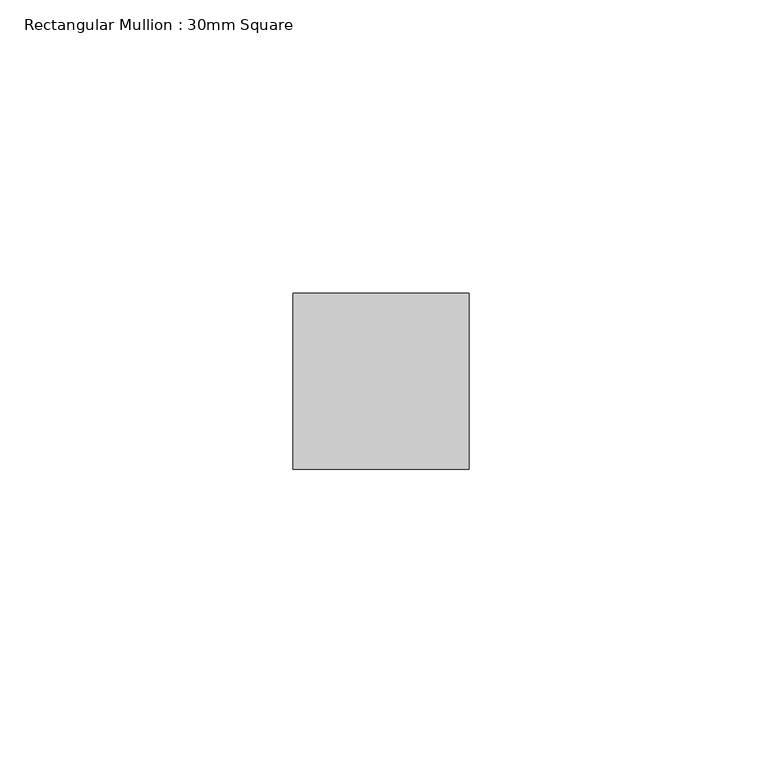
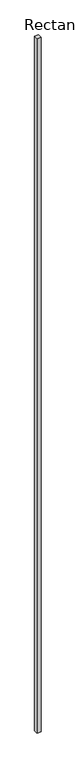
"""IFC4 building model written with IfcOpenShell, lengths in millimetres: member geometry, Rectangular Mullion : 30mm Square."""

import ifcopenshell
import ifcopenshell.guid

model = None  # the IFC model being written
_history = None  # IfcOwnerHistory: only IFC2X3 demands one
_inside = {}  # id of a spatial element -> (the spatial element, [elements in it])
_under = {}  # id of a project, library or spatial element -> (it, [spatial elements below it])
_declared = {}  # id of a project -> (the project, [libraries it declares])
_typed = {}  # id of a type object -> (the type object, [elements of that type])
_made_of = {}  # id of a material, layer set ... -> (it, [elements and type objects made of it])


def new_model(schema):
    """Start an empty IFC model of exactly this schema.

    Asked for "IFC4X3", IfcOpenShell would pick the latest addendum, in which some entities
    have other attributes; the version numbers below select the first issue.
    IFC2X3 requires an IfcOwnerHistory on every rooted entity: one is made here for all.
    """
    global model, _history
    if schema == "IFC4X3":
        model = ifcopenshell.file(schema_version=(4, 3, 0, 0))
    else:
        model = ifcopenshell.file(schema=schema)
    _inside.clear()
    _under.clear()
    _declared.clear()
    _typed.clear()
    _made_of.clear()
    _history = None
    if model.schema == "IFC2X3":
        org = make("IfcOrganization", Name="unknown")
        user = make(
            "IfcPersonAndOrganization",
            ThePerson=make("IfcPerson", FamilyName="unknown"),
            TheOrganization=org,
        )
        app = make(
            "IfcApplication",
            ApplicationDeveloper=org,
            Version="unknown",
            ApplicationFullName="unknown",
            ApplicationIdentifier="unknown",
        )
        _history = make(
            "IfcOwnerHistory",
            OwningUser=user,
            OwningApplication=app,
            ChangeAction="ADDED",
            CreationDate=0,
        )
    return model


def make(cls, **values):
    """One entity of the class cls with the attributes given. An attribute that is None is left unset."""
    return model.create_entity(
        cls, **{name: value for name, value in values.items() if value is not None}
    )


def rooted(cls, **values):
    """An entity with a GlobalId (a new one), such as an element, a storey or a relation."""
    return make(cls, GlobalId=ifcopenshell.guid.new(), OwnerHistory=_history, **values)


def si_unit(unit_type, name, prefix=None):
    """IfcSIUnit, for example si_unit("LENGTHUNIT", "METRE", prefix="MILLI")."""
    return make("IfcSIUnit", UnitType=unit_type, Prefix=prefix, Name=name)


def assignment(units):
    """IfcUnitAssignment: the units of a project."""
    return None if units is None else make("IfcUnitAssignment", Units=units)


def point(xyz):
    """IfcCartesianPoint."""
    return None if xyz is None else make("IfcCartesianPoint", Coordinates=xyz)


def direction(xyz):
    """IfcDirection."""
    return None if xyz is None else make("IfcDirection", DirectionRatios=xyz)


def frame(location, z_axis=None, x_axis=None):
    """IfcAxis2Placement3D, a coordinate frame: its origin and axes. An axis left out is left unset."""
    return make(
        "IfcAxis2Placement3D",
        Location=point(location),
        Axis=direction(z_axis),
        RefDirection=direction(x_axis),
    )


def origin():
    """The frame at (0, 0, 0) with its axes left unset."""
    return frame((0.0, 0.0, 0.0))


def place(relative_to, where):
    """IfcLocalPlacement: puts the frame where relative to a parent placement (None: the world)."""
    return make(
        "IfcLocalPlacement", PlacementRelTo=relative_to, RelativePlacement=where
    )


def context(
    kind, dimensions, precision=None, world=None, true_north=None, identifier=None
):
    """IfcGeometricRepresentationContext, for example the 3D "Model" context."""
    return make(
        "IfcGeometricRepresentationContext",
        ContextIdentifier=identifier,
        ContextType=kind,
        CoordinateSpaceDimension=dimensions,
        Precision=precision,
        WorldCoordinateSystem=world,
        TrueNorth=true_north,
    )


def project(units=None, contexts=None):
    """IfcProject with its units and contexts."""
    return rooted(
        "IfcProject",
        Name="project",
        RepresentationContexts=contexts,
        UnitsInContext=assignment(units),
    )


def spatial(cls, under=None, at=None, **own):
    """A site, building, storey or space (cls), placed at a placement, below another one or the project."""
    s = rooted(cls, ObjectPlacement=at, **own)
    if under is not None:
        _under.setdefault(under.id(), (under, []))[1].append(s)
    return s


def polyline(points):
    """IfcPolyline through the points."""
    return make("IfcPolyline", Points=[point(p) for p in points])


def outline(outer, holes=None, kind="AREA"):
    """IfcArbitraryClosedProfileDef: a profile drawn as a closed curve; with holes, ...WithVoids."""
    if holes is None:
        return make("IfcArbitraryClosedProfileDef", ProfileType=kind, OuterCurve=outer)
    return make(
        "IfcArbitraryProfileDefWithVoids",
        ProfileType=kind,
        OuterCurve=outer,
        InnerCurves=holes,
    )


def extrude(swept, where, along, depth):
    """IfcExtrudedAreaSolid: the profile swept, set in the frame where, extruded along a direction by depth."""
    return make(
        "IfcExtrudedAreaSolid",
        SweptArea=swept,
        Position=where,
        ExtrudedDirection=direction(along),
        Depth=depth,
    )


def shape(context_of_items, identifier, shape_type, items):
    """IfcShapeRepresentation: the items that make up one representation, for example the "Body"."""
    return make(
        "IfcShapeRepresentation",
        ContextOfItems=context_of_items,
        RepresentationIdentifier=identifier,
        RepresentationType=shape_type,
        Items=items,
    )


def source(mapping_origin, context_of_items, identifier, shape_type, items):
    """IfcRepresentationMap: a shape defined once, which mapped items show again and again."""
    return make(
        "IfcRepresentationMap",
        MappingOrigin=mapping_origin,
        MappedRepresentation=shape(context_of_items, identifier, shape_type, items),
    )


def transform(
    local_origin,
    x_axis=None,
    y_axis=None,
    z_axis=None,
    scale=None,
    scale2=None,
    scale3=None,
    uniform=True,
):
    """IfcCartesianTransformationOperator3D, or its non-uniform kind. x_axis, y_axis, z_axis: its Axis1, 2, 3."""
    if uniform:
        return make(
            "IfcCartesianTransformationOperator3D",
            Axis1=direction(x_axis),
            Axis2=direction(y_axis),
            LocalOrigin=point(local_origin),
            Scale=scale,
            Axis3=direction(z_axis),
        )
    return make(
        "IfcCartesianTransformationOperator3DnonUniform",
        Axis1=direction(x_axis),
        Axis2=direction(y_axis),
        LocalOrigin=point(local_origin),
        Scale=scale,
        Axis3=direction(z_axis),
        Scale2=scale2,
        Scale3=scale3,
    )


def mapped(mapping_source, mapping_target):
    """IfcMappedItem: shows the shape of a source again, moved by a transform."""
    return make(
        "IfcMappedItem", MappingSource=mapping_source, MappingTarget=mapping_target
    )


def made_of(thing, what):
    """Note that an element or type object is made of a material, layer set ...; save() writes the relation."""
    if what is not None:
        _made_of.setdefault(what.id(), (what, []))[1].append(thing)
    return thing


def element(
    cls,
    number,
    at=None,
    inside=None,
    cuts=None,
    type_object=None,
    material=None,
    context=None,
    identifier="Body",
    shape_type=None,
    held_by="IfcProductDefinitionShape",
    body=None,
    shapes=None,
    **own,
):
    """One element of the class cls, such as IfcWall. Its Tag is "e" and its number.

    at: its placement. inside: the storey or other place that contains it. cuts: it is an
    opening in that element (IfcRelVoidsElement). A single representation is given by context,
    identifier, shape_type and body (its items); several are given by shapes. held_by: the class
    of the entity that holds the representations. save() writes the other relations.
    """
    e = rooted(cls, Tag="e%d" % number, ObjectPlacement=at, **own)
    if body is not None:
        shapes = [shape(context, identifier, shape_type, body)]
    if shapes is not None:
        e.Representation = make(held_by, Representations=shapes)
    if inside is not None:
        _inside.setdefault(inside.id(), (inside, []))[1].append(e)
    if cuts is not None:
        rooted(
            "IfcRelVoidsElement", RelatingBuildingElement=cuts, RelatedOpeningElement=e
        )
    if type_object is not None:
        _typed.setdefault(type_object.id(), (type_object, []))[1].append(e)
    return made_of(e, material)


def aggregate(whole, parts):
    """IfcRelAggregates: a whole, such as a stair, and the parts it consists of."""
    return rooted("IfcRelAggregates", RelatingObject=whole, RelatedObjects=parts)


def save(model, path):
    """Write the relations noted so far, then the file.

    IfcRelAggregates (storeys below a building ...), IfcRelContainedInSpatialStructure (elements
    in a storey), IfcRelDefinesByType, IfcRelAssociatesMaterial and IfcRelDeclares: one each for
    every whole, place, type object, material and project.
    """
    for whole, parts in _under.values():
        aggregate(whole, parts)
    for where, things in _inside.values():
        rooted(
            "IfcRelContainedInSpatialStructure",
            RelatedElements=things,
            RelatingStructure=where,
        )
    for kind, things in _typed.values():
        rooted("IfcRelDefinesByType", RelatedObjects=things, RelatingType=kind)
    for what, things in _made_of.values():
        rooted("IfcRelAssociatesMaterial", RelatedObjects=things, RelatingMaterial=what)
    for by, libraries in _declared.values():
        rooted("IfcRelDeclares", RelatingContext=by, RelatedDefinitions=libraries)
    model.write(path)


def rectangular_mullion_30mm_square_3e150117(model_context):
    return source(origin(), model_context, "Body", "SweptSolid", [
        extrude(outline(polyline([(15.0, 15.0), (15.0, -15.0), (-15.0, -15.0), (-15.0, 15.0), (15.0, 15.0)])), frame((0.0, 0.0, -5485.0), z_axis=(0.0, 0.0, 1.0), x_axis=(1.0, 0.0, 0.0)), (0.0, 0.0, 1.0), 5485.0),
    ])


if __name__ == "__main__":
    model = new_model("IFC4")
    model_context = context("Model", 3, world=origin())
    ifc_project = project(units=[si_unit("LENGTHUNIT", "METRE", prefix="MILLI")], contexts=[model_context])
    site = spatial("IfcSite", under=ifc_project)
    building = spatial("IfcBuilding", under=site)
    placement = place(None, origin())
    rectangular_mullion_30mm_square_shape = rectangular_mullion_30mm_square_3e150117(model_context)
    element("IfcMember", 1, ObjectType="Rectangular Mullion : 30mm Square", at=placement, inside=building, context=model_context, shape_type="MappedRepresentation", body=[
        mapped(rectangular_mullion_30mm_square_shape, transform((0.0, 0.0, 0.0), x_axis=(1.0, 0.0, 0.0), y_axis=(0.0, 1.0, 0.0), z_axis=(0.0, 0.0, 1.0))),
    ])
    save(model, "model.ifc")
